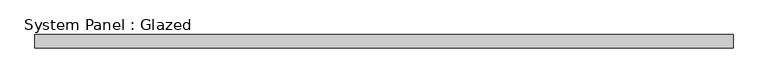
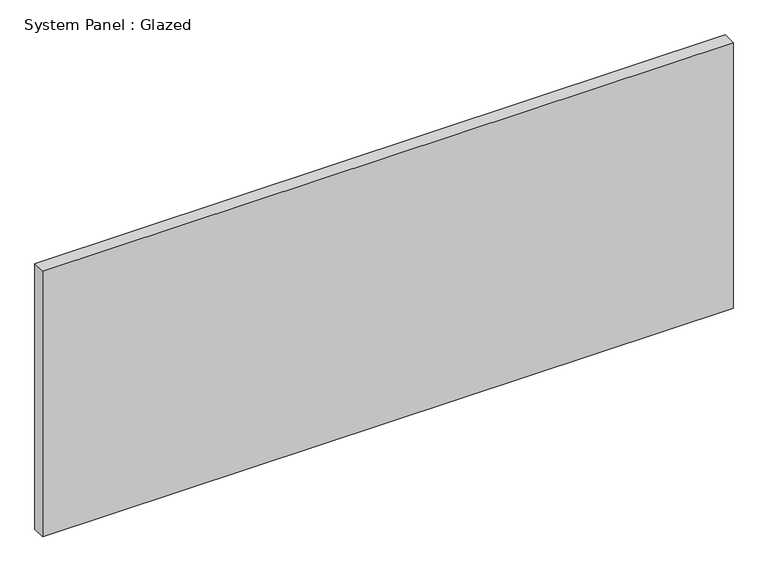
"""IFC4 building model written with IfcOpenShell, lengths in millimetres: plate geometry, System Panel : Glazed."""

from ifc_helpers import new_model, si_unit, origin, origin_with_axes, place, context, project, spatial, polyline, outline, extrude, source, transform, mapped, element, save


def system_panel_glazed_522b4d3d(model_context):
    return source(origin(), model_context, "Body", "SweptSolid", [
        extrude(outline(polyline([(645.3125, 24.5), (-645.3125, 24.5), (-645.3125, 49.5), (645.3125, 49.5), (645.3125, 24.5)])), origin_with_axes(), (0.0, 0.0, 1.0), 525.0),
    ])


if __name__ == "__main__":
    model = new_model("IFC4")
    model_context = context("Model", 3, world=origin())
    ifc_project = project(units=[si_unit("LENGTHUNIT", "METRE", prefix="MILLI")], contexts=[model_context])
    site = spatial("IfcSite", under=ifc_project)
    building = spatial("IfcBuilding", under=site)
    placement = place(None, origin())
    system_panel_glazed_shape = system_panel_glazed_522b4d3d(model_context)
    element("IfcPlate", 1, ObjectType="System Panel : Glazed", at=placement, inside=building, context=model_context, shape_type="MappedRepresentation", body=[
        mapped(system_panel_glazed_shape, transform((0.0, 0.0, 0.0), x_axis=(1.0, 0.0, 0.0), y_axis=(0.0, 1.0, 0.0), z_axis=(0.0, 0.0, 1.0))),
    ])
    save(model, "model.ifc")
